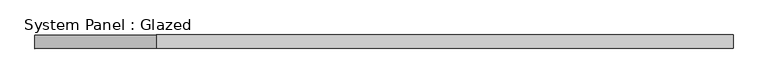
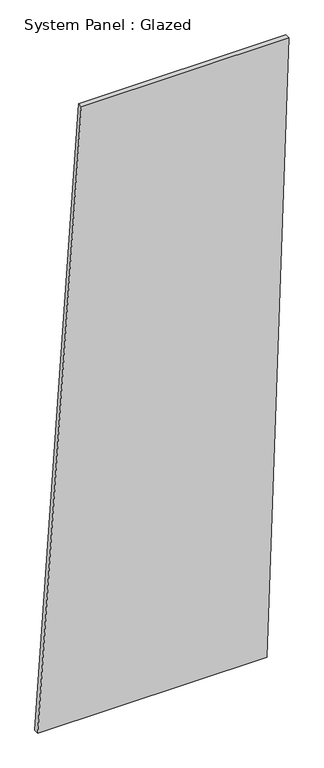
"""IFC4 building model written with IfcOpenShell, lengths in millimetres: plate geometry, System Panel : Glazed."""

from ifc_helpers import new_model, si_unit, frame, origin, place, context, project, spatial, polyline, outline, extrude, source, transform, mapped, element, save


def system_panel_glazed_49ba4e84(model_context):
    return source(origin(), model_context, "Body", "SweptSolid", [
        extrude(outline(polyline([(0.0, -648.4452746), (0.0, 535.7978957), (3336.1930123, 648.4452746), (3336.1930123, -423.1505167), (0.0, -648.4452746)])), frame((0.0, -49.5, 0.0), z_axis=(0.0, 1.0, 0.0), x_axis=(0.0, 0.0, 1.0)), (0.0, 0.0, 1.0), 25.0),
    ])


if __name__ == "__main__":
    model = new_model("IFC4")
    model_context = context("Model", 3, world=origin())
    ifc_project = project(units=[si_unit("LENGTHUNIT", "METRE", prefix="MILLI")], contexts=[model_context])
    site = spatial("IfcSite", under=ifc_project)
    building = spatial("IfcBuilding", under=site)
    placement = place(None, origin())
    system_panel_glazed_shape = system_panel_glazed_49ba4e84(model_context)
    element("IfcPlate", 1, ObjectType="System Panel : Glazed", at=placement, inside=building, context=model_context, shape_type="MappedRepresentation", body=[
        mapped(system_panel_glazed_shape, transform((0.0, 0.0, 0.0), x_axis=(1.0, 0.0, 0.0), y_axis=(0.0, 1.0, 0.0), z_axis=(0.0, 0.0, 1.0))),
    ])
    save(model, "model.ifc")
